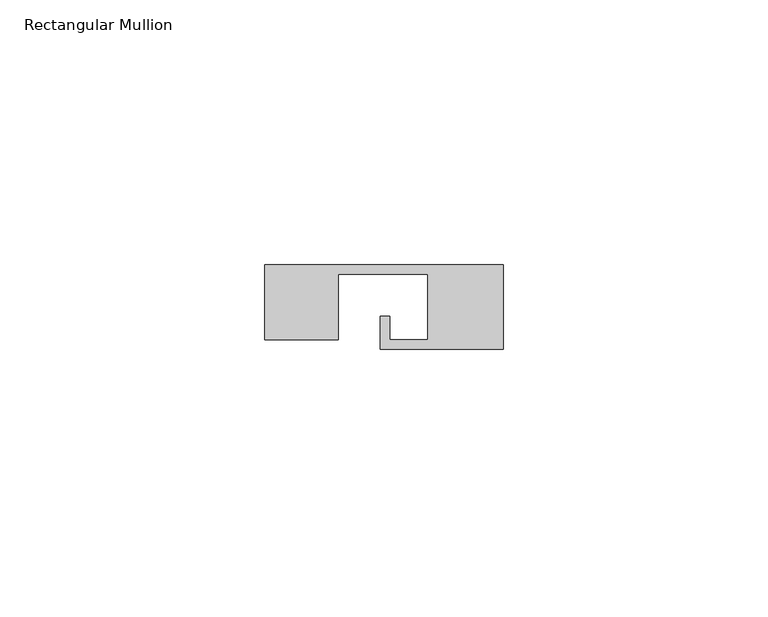
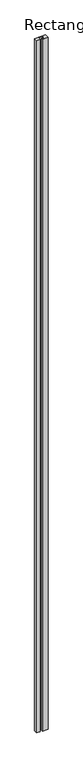
"""IFC4 building model written with IfcOpenShell, lengths in millimetres: member geometry, Rectangular Mullion."""

from ifc_helpers import new_model, si_unit, frame, origin, place, context, project, spatial, polyline, outline, extrude, source, transform, mapped, element, save


def rectangular_mullion_cd8a4d4e(model_context):
    return source(origin(), model_context, "Body", "SweptSolid", [
        extrude(outline(polyline([(0.0, 0.0), (0.0, -16.0), (-23.25, -16.0), (-23.25, -9.8), (-21.45, -9.8), (-21.45, -14.2), (-14.35, -14.2), (-14.35, -1.8), (-31.25, -1.8), (-31.25, -14.2), (-45.15, -14.2), (-45.15, 0.0), (0.0, 0.0)])), frame((0.0, 0.0, -3000.0), z_axis=(0.0, 0.0, 1.0), x_axis=(1.0, 0.0, 0.0)), (0.0, 0.0, 1.0), 3000.0),
    ])


if __name__ == "__main__":
    model = new_model("IFC4")
    model_context = context("Model", 3, world=origin())
    ifc_project = project(units=[si_unit("LENGTHUNIT", "METRE", prefix="MILLI")], contexts=[model_context])
    site = spatial("IfcSite", under=ifc_project)
    building = spatial("IfcBuilding", under=site)
    placement = place(None, origin())
    rectangular_mullion_shape = rectangular_mullion_cd8a4d4e(model_context)
    element("IfcMember", 1, ObjectType="Rectangular Mullion", at=placement, inside=building, context=model_context, shape_type="MappedRepresentation", body=[
        mapped(rectangular_mullion_shape, transform((0.0, 0.0, 0.0), x_axis=(1.0, 0.0, 0.0), y_axis=(0.0, 1.0, 0.0), z_axis=(0.0, 0.0, 1.0))),
    ])
    save(model, "model.ifc")
